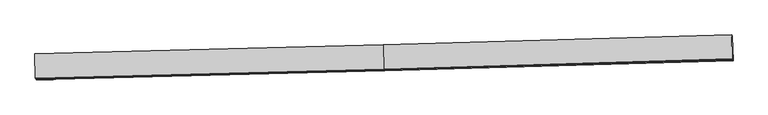
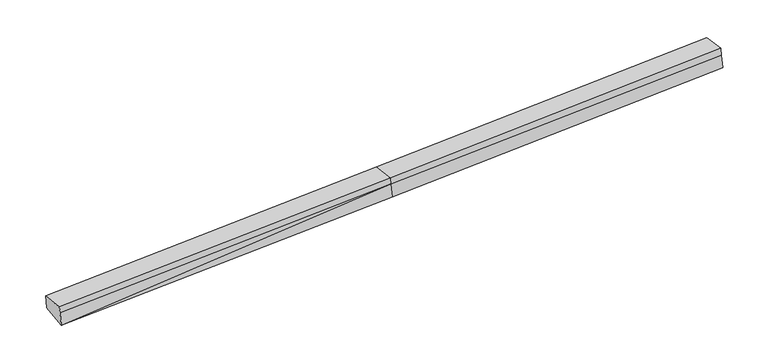
"""IFC4 building model written with IfcOpenShell, lengths in millimetres: proxy geometry."""

from ifc_helpers import new_model, si_unit, frame, origin, place, context, project, spatial, source, transform, mapped, element, save
from ifc_brep_helpers import plane_surface, spline_surface, advanced_brep


def generic_models_5aa9df59(model_context):
    return source(origin(), model_context, "Body", "AdvancedBrep", [
        advanced_brep(
        [(-10001.7418489, -2225.0230535, 1326.0686759), (-10025.4752879, -1512.5210731, 1463.1371775), (-17.4249212, -1224.2983648, 1859.712868), (7.3315652, -1967.5132686, 1716.7359276), (-10017.9539047, -2187.7067265, 1708.0781183), (-9.2561435, -1929.3322772, 2107.5969899), (-10025.5499439, -2170.2224365, 1887.0658268), (-17.0631839, -1911.3623125, 2291.5565792), (-10040.5610282, -1478.1332378, 1818.8225205), (-32.2900663, -1209.3236941, 2222.3322125), (10000.383651, -1623.3035638, 2703.6318963), (10008.8236947, -1642.7305527, 2504.7566647), (10025.0357505, -1680.0468797, 2122.7472223), (10001.1646447, -963.4120016, 2260.6107955), (9985.3725668, -931.2143651, 2635.38859)],
        [
            (0, 1),
            (1, 2),
            (2, 3),
            (3, 0),
            (4, 0),
            (0, 5),
            (5, 4),
            (6, 4),
            (5, 7),
            (7, 6),
            (8, 6),
            (7, 9),
            (9, 8),
            (1, 8),
            (9, 2),
            (10, 11),
            (11, 12),
            (12, 13),
            (13, 14),
            (14, 10),
            (3, 5),
            (5, 11),
            (10, 7),
            (3, 12),
            (2, 13),
            (9, 14),
        ],
        [
            plane_surface(frame((-10013.6085684, -1868.7720633, 1394.6029267), z_axis=(0.03341386115780223, 0.18988006502022917, -0.9812385412275859), x_axis=(-0.03269273047052116, 0.9814690238790138, 0.1888113887993987))),
            plane_surface(frame((-10009.8478768, -2206.36489, 1517.0733971), z_axis=(0.021767878753488058, -0.9949371293551179, 0.09811354689935055), x_axis=(0.042200218104566416, -0.09713494426973762, -0.9943761582990825))),
            plane_surface(frame((-10021.7519243, -2178.9645815, 1797.5719725), z_axis=(0.021767878753488047, -0.9949371293551179, 0.09811354689935094), x_axis=(0.04220021810456791, -0.09713494426973797, -0.9943761582990824))),
            plane_surface(frame((-10033.0554861, -1824.1778372, 1852.9441736), z_axis=(-0.04269865395368287, 0.09712215844989305, 0.9943561290043812), x_axis=(0.021579816158514332, -0.9949419665455538, 0.09810603824959392))),
            spline_surface(1, 1, [[(-10025.4752879, -1512.5210731, 1463.1371775), (-17.4249212, -1224.2983648, 1859.712868)], [(-10040.5610282, -1478.1332378, 1818.8225205), (-32.2900663, -1209.3236941, 2222.3322125)]], [2, 2], [2, 2], [0.0, 1.0], [0.0, 1.0]),
            plane_surface(frame((10002.9891532, -1299.4942025, 2430.594626), z_axis=(0.9988760949820011, 0.025598550900010827, 0.03989061374970168), x_axis=(0.04220021810456789, -0.09713494426973789, -0.9943761582990824))),
            plane_surface(frame((-10023.3320272, -1846.4749502, 1623.7735502), z_axis=(-0.9988760949820011, -0.02559855090001262, -0.03989061374970028), x_axis=(0.032692730470521826, -0.9814690238790139, -0.1888113887993982))),
            plane_surface(frame((-10001.7418489, -2225.0230535, 1326.0686759), z_axis=(0.02176787875348804, -0.9949371293551178, 0.098113546899351), x_axis=(0.04220021810456798, -0.09713494426973805, -0.9943761582990824))),
            plane_surface(frame((-13.1596637, -1920.3472948, 2199.5767846), z_axis=(0.024567371555010792, -0.9948609504672462, 0.09822491277820349), x_axis=(0.04220021810457072, -0.0971349442697384, -0.9943761582990822))),
            plane_surface(frame((-0.9622892, -1948.4227729, 1912.1664587), z_axis=(0.024567371555010844, -0.9948609504672463, 0.09822491277820258), x_axis=(0.042200218104566416, -0.09713494426973762, -0.9943761582990825))),
            plane_surface(frame((-5.046678, -1595.9058167, 1788.2243978), z_axis=(0.034318103792171414, 0.1899033158156969, -0.9812028324430752), x_axis=(-0.03269273047052043, 0.9814690238790134, 0.1888113887994012))),
            spline_surface(1, 1, [[(-17.4249212, -1224.2983648, 1859.712868), (10001.1646447, -963.4120016, 2260.6107955)], [(-32.2900663, -1209.3236941, 2222.3322125), (9985.3725668, -931.2143651, 2635.38859)]], [2, 2], [2, 2], [0.0, 1.0], [0.0, 1.0]),
            plane_surface(frame((-24.6766251, -1560.3430033, 2256.9443958), z_axis=(-0.04369400188699512, 0.0970965527112261, 0.9943153894266626), x_axis=(0.021579816158514634, -0.9949419665455539, 0.09810603824959435))),
        ],
        [
            (0, [[1, 2, 3, 4]]),
            (1, [[5, 6, 7]]),
            (2, [[8, -7, 9, 10]]),
            (3, [[11, -10, 12, 13]]),
            (4, [[14, -13, 15, -2]]),
            (5, [[16, 17, 18, 19, 20]]),
            (6, [[-1, -5, -8, -11, -14]]),
            (7, [[21, -6, -4]]),
            (8, [[-9, 22, -16, 23]]),
            (9, [[-21, 24, -17, -22]]),
            (10, [[-3, 25, -18, -24]]),
            (11, [[-15, 26, -19, -25]]),
            (12, [[-12, -23, -20, -26]]),
        ],
    ),
    ])


if __name__ == "__main__":
    model = new_model("IFC4")
    model_context = context("Model", 3, world=origin())
    ifc_project = project(units=[si_unit("LENGTHUNIT", "METRE", prefix="MILLI")], contexts=[model_context])
    site = spatial("IfcSite", under=ifc_project)
    building = spatial("IfcBuilding", under=site)
    placement = place(None, origin())
    generic_models_shape = generic_models_5aa9df59(model_context)
    element("IfcBuildingElementProxy", 1, Name="Generic Models", at=placement, inside=building, context=model_context, shape_type="MappedRepresentation", body=[
        mapped(generic_models_shape, transform((0.0, 0.0, 0.0), x_axis=(1.0, 0.0, 0.0), y_axis=(0.0, 1.0, 0.0), z_axis=(0.0, 0.0, 1.0))),
    ])
    save(model, "model.ifc")
